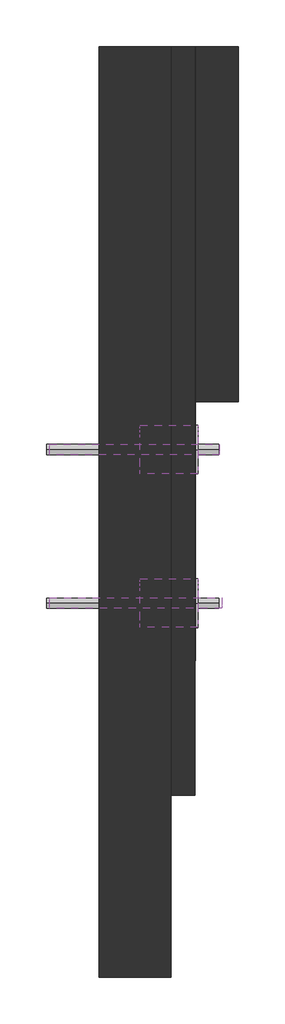
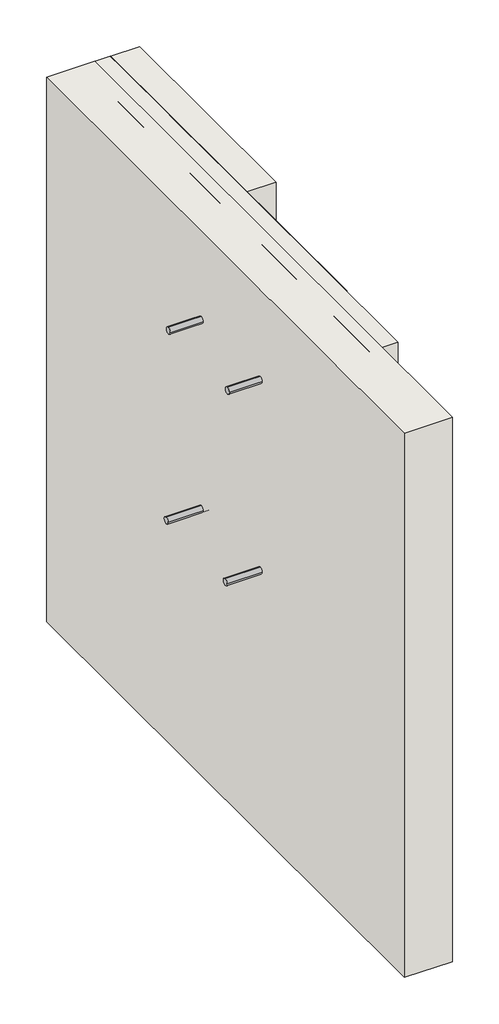
# One storey: 8 pipe segments, 4 walls.
"""IFC4 building model written with IfcOpenShell, lengths in millimetres."""

from ifc_helpers import new_model, si_unit, point, frame, frame_2d, origin, origin_with_axes, place, context, project, spatial, polyline, circle_curve, trimmed, segment, composite_curve, outline, extrude, element, save

model = new_model("IFC4")

# Units and contexts
model_context = context("Model", 3, world=origin())
ifc_project = project(units=[si_unit("LENGTHUNIT", "METRE", prefix="MILLI")], contexts=[model_context])

# Site, building, storey
site = spatial("IfcSite", under=ifc_project)
building = spatial("IfcBuilding", under=site)
storey = spatial("IfcBuildingStorey", under=building, Elevation=0.0)

# Pipe segments
placement = place(None, origin())
element("IfcPipeSegment", 1, at=placement, inside=storey, context=model_context, shape_type="SweptSolid", body=[
    extrude(outline(composite_curve([segment(trimmed(circle_curve(frame_2d((-461.0858633, 1508.2842579)), 10.668), [point((-471.7538633, 1508.2842579))], [point((-461.0858633, 1518.9522579))], False, "CARTESIAN"), True, "CONTINUOUS"), segment(trimmed(circle_curve(frame_2d((-461.0858633, 1508.2842579)), 10.668), [point((-461.0858633, 1518.9522579))], [point((-450.4178633, 1508.2842579))], False, "CARTESIAN"), True, "CONTINUOUS"), segment(trimmed(circle_curve(frame_2d((-461.0858633, 1508.2842579)), 10.668), [point((-450.4178633, 1508.2842579))], [point((-461.0858633, 1497.6162579))], False, "CARTESIAN"), True, "CONTINUOUS"), segment(trimmed(circle_curve(frame_2d((-461.0858633, 1508.2842579)), 10.668), [point((-461.0858633, 1497.6162579))], [point((-471.7538633, 1508.2842579))], False, "CARTESIAN"), True, "CONTINUOUS")], self_intersect=False)), frame((-22515.9652539, 0.0, 0.0), z_axis=(1.0, 0.0, 0.0), x_axis=(0.0, 1.0, 0.0)), (0.0, 0.0, 1.0), 355.0),
])
element("IfcPipeSegment", 2, at=placement, inside=storey, context=model_context, shape_type="SweptSolid", body=[
    extrude(outline(composite_curve([segment(trimmed(circle_curve(frame_2d((-461.0858633, 1503.598162)), 50.8), [point((-410.2858633, 1503.598162))], [point((-461.0858633, 1452.798162))], False, "CARTESIAN"), True, "CONTINUOUS"), segment(trimmed(circle_curve(frame_2d((-461.0858633, 1503.598162)), 50.8), [point((-461.0858633, 1452.798162))], [point((-511.8858633, 1503.598162))], False, "CARTESIAN"), True, "CONTINUOUS"), segment(trimmed(circle_curve(frame_2d((-461.0858633, 1503.598162)), 50.8), [point((-511.8858633, 1503.598162))], [point((-461.0858633, 1554.398162))], False, "CARTESIAN"), True, "CONTINUOUS"), segment(trimmed(circle_curve(frame_2d((-461.0858633, 1503.598162)), 50.8), [point((-461.0858633, 1554.398162))], [point((-410.2858633, 1503.598162))], False, "CARTESIAN"), True, "CONTINUOUS")], self_intersect=False)), frame((-22326.7800219, 0.0, 0.0), z_axis=(1.0, 0.0, 0.0), x_axis=(0.0, 1.0, 0.0)), (0.0, 0.0, 1.0), 120.0),
])
element("IfcPipeSegment", 3, at=placement, inside=storey, context=model_context, shape_type="SweptSolid", body=[
    extrude(outline(composite_curve([segment(trimmed(circle_curve(frame_2d((-781.0858633, 1504.9470489)), 50.8), [point((-730.2858633, 1504.9470489))], [point((-781.0858633, 1454.1470489))], False, "CARTESIAN"), True, "CONTINUOUS"), segment(trimmed(circle_curve(frame_2d((-781.0858633, 1504.9470489)), 50.8), [point((-781.0858633, 1454.1470489))], [point((-831.8858633, 1504.9470489))], False, "CARTESIAN"), True, "CONTINUOUS"), segment(trimmed(circle_curve(frame_2d((-781.0858633, 1504.9470489)), 50.8), [point((-831.8858633, 1504.9470489))], [point((-781.0858633, 1555.7470489))], False, "CARTESIAN"), True, "CONTINUOUS"), segment(trimmed(circle_curve(frame_2d((-781.0858633, 1504.9470489)), 50.8), [point((-781.0858633, 1555.7470489))], [point((-730.2858633, 1504.9470489))], False, "CARTESIAN"), True, "CONTINUOUS")], self_intersect=False)), frame((-22326.7800219, 0.0, 0.0), z_axis=(1.0, 0.0, 0.0), x_axis=(0.0, 1.0, 0.0)), (0.0, 0.0, 1.0), 120.0),
])
element("IfcPipeSegment", 4, at=placement, inside=storey, context=model_context, shape_type="SweptSolid", body=[
    extrude(outline(composite_curve([segment(trimmed(circle_curve(frame_2d((-781.0858633, 1504.1321833)), 10.668), [point((-791.7538633, 1504.1321833))], [point((-781.0858633, 1514.8001833))], False, "CARTESIAN"), True, "CONTINUOUS"), segment(trimmed(circle_curve(frame_2d((-781.0858633, 1504.1321833)), 10.668), [point((-781.0858633, 1514.8001833))], [point((-770.4178633, 1504.1321833))], False, "CARTESIAN"), True, "CONTINUOUS"), segment(trimmed(circle_curve(frame_2d((-781.0858633, 1504.1321833)), 10.668), [point((-770.4178633, 1504.1321833))], [point((-781.0858633, 1493.4641833))], False, "CARTESIAN"), True, "CONTINUOUS"), segment(trimmed(circle_curve(frame_2d((-781.0858633, 1504.1321833)), 10.668), [point((-781.0858633, 1493.4641833))], [point((-791.7538633, 1504.1321833))], False, "CARTESIAN"), True, "CONTINUOUS")], self_intersect=False)), frame((-22515.9652539, 0.0, 0.0), z_axis=(1.0, 0.0, 0.0), x_axis=(0.0, 1.0, 0.0)), (0.0, 0.0, 1.0), 360.0),
])
element("IfcPipeSegment", 5, at=placement, inside=storey, context=model_context, shape_type="SweptSolid", body=[
    extrude(outline(composite_curve([segment(trimmed(circle_curve(frame_2d((-781.0858633, 869.1629869)), 50.8), [point((-730.2858633, 869.1629869))], [point((-781.0858633, 818.3629869))], False, "CARTESIAN"), True, "CONTINUOUS"), segment(trimmed(circle_curve(frame_2d((-781.0858633, 869.1629869)), 50.8), [point((-781.0858633, 818.3629869))], [point((-831.8858633, 869.1629869))], False, "CARTESIAN"), True, "CONTINUOUS"), segment(trimmed(circle_curve(frame_2d((-781.0858633, 869.1629869)), 50.8), [point((-831.8858633, 869.1629869))], [point((-781.0858633, 919.9629869))], False, "CARTESIAN"), True, "CONTINUOUS"), segment(trimmed(circle_curve(frame_2d((-781.0858633, 869.1629869)), 50.8), [point((-781.0858633, 919.9629869))], [point((-730.2858633, 869.1629869))], False, "CARTESIAN"), True, "CONTINUOUS")], self_intersect=False)), frame((-22326.7800219, 0.0, 0.0), z_axis=(1.0, 0.0, 0.0), x_axis=(0.0, 1.0, 0.0)), (0.0, 0.0, 1.0), 120.0),
])
element("IfcPipeSegment", 6, at=placement, inside=storey, context=model_context, shape_type="SweptSolid", body=[
    extrude(outline(composite_curve([segment(trimmed(circle_curve(frame_2d((-461.0858633, 883.5446474)), 50.8), [point((-410.2858633, 883.5446474))], [point((-461.0858633, 832.7446474))], False, "CARTESIAN"), True, "CONTINUOUS"), segment(trimmed(circle_curve(frame_2d((-461.0858633, 883.5446474)), 50.8), [point((-461.0858633, 832.7446474))], [point((-511.8858633, 883.5446474))], False, "CARTESIAN"), True, "CONTINUOUS"), segment(trimmed(circle_curve(frame_2d((-461.0858633, 883.5446474)), 50.8), [point((-511.8858633, 883.5446474))], [point((-461.0858633, 934.3446474))], False, "CARTESIAN"), True, "CONTINUOUS"), segment(trimmed(circle_curve(frame_2d((-461.0858633, 883.5446474)), 50.8), [point((-461.0858633, 934.3446474))], [point((-410.2858633, 883.5446474))], False, "CARTESIAN"), True, "CONTINUOUS")], self_intersect=False)), frame((-22326.7800219, 0.0, 0.0), z_axis=(1.0, 0.0, 0.0), x_axis=(0.0, 1.0, 0.0)), (0.0, 0.0, 1.0), 120.0),
])
element("IfcPipeSegment", 7, at=placement, inside=storey, context=model_context, shape_type="SweptSolid", body=[
    extrude(outline(composite_curve([segment(trimmed(circle_curve(frame_2d((-781.0858633, 873.6726146)), 10.668), [point((-791.7538633, 873.6726146))], [point((-781.0858633, 884.3406146))], False, "CARTESIAN"), True, "CONTINUOUS"), segment(trimmed(circle_curve(frame_2d((-781.0858633, 873.6726146)), 10.668), [point((-781.0858633, 884.3406146))], [point((-770.4178633, 873.6726146))], False, "CARTESIAN"), True, "CONTINUOUS"), segment(trimmed(circle_curve(frame_2d((-781.0858633, 873.6726146)), 10.668), [point((-770.4178633, 873.6726146))], [point((-781.0858633, 863.0046146))], False, "CARTESIAN"), True, "CONTINUOUS"), segment(trimmed(circle_curve(frame_2d((-781.0858633, 873.6726146)), 10.668), [point((-781.0858633, 863.0046146))], [point((-791.7538633, 873.6726146))], False, "CARTESIAN"), True, "CONTINUOUS")], self_intersect=False)), frame((-22522.4654077, 0.0, 0.0), z_axis=(1.0, 0.0, 0.0), x_axis=(0.0, 1.0, 0.0)), (0.0, 0.0, 1.0), 360.0),
])
element("IfcPipeSegment", 8, at=placement, inside=storey, context=model_context, shape_type="SweptSolid", body=[
    extrude(outline(composite_curve([segment(trimmed(circle_curve(frame_2d((-461.0858633, 883.2479606)), 10.668), [point((-471.7538633, 883.2479606))], [point((-461.0858633, 893.9159606))], False, "CARTESIAN"), True, "CONTINUOUS"), segment(trimmed(circle_curve(frame_2d((-461.0858633, 883.2479606)), 10.668), [point((-461.0858633, 893.9159606))], [point((-450.4178633, 883.2479606))], False, "CARTESIAN"), True, "CONTINUOUS"), segment(trimmed(circle_curve(frame_2d((-461.0858633, 883.2479606)), 10.668), [point((-450.4178633, 883.2479606))], [point((-461.0858633, 872.5799606))], False, "CARTESIAN"), True, "CONTINUOUS"), segment(trimmed(circle_curve(frame_2d((-461.0858633, 883.2479606)), 10.668), [point((-461.0858633, 872.5799606))], [point((-471.7538633, 883.2479606))], False, "CARTESIAN"), True, "CONTINUOUS")], self_intersect=False)), frame((-22522.4654077, 0.0, 0.0), z_axis=(1.0, 0.0, 0.0), x_axis=(0.0, 1.0, 0.0)), (0.0, 0.0, 1.0), 360.0),
])

# Walls
element("IfcWall", 9, at=placement, inside=storey, context=model_context, shape_type="SweptSolid", body=[
    extrude(outline(polyline([(-22262.467069, 378.9141367), (-22262.467069, -1561.0858633), (-22412.467069, -1561.0858633), (-22412.467069, 378.9141367), (-22262.467069, 378.9141367)])), origin_with_axes(), (0.0, 0.0, 1.0), 1800.0),
])
element("IfcWall", 10, at=placement, inside=storey, context=model_context, shape_type="SweptSolid", body=[
    extrude(outline(polyline([(-22302.467069, -1181.0858633), (-22302.467069, 378.9141367), (-22212.467069, 378.9141367), (-22212.467069, -1181.0858633), (-22302.467069, -1181.0858633)])), origin_with_axes(), (0.0, 0.0, 1.0), 1800.0),
])
element("IfcWall", 11, at=placement, inside=storey, context=model_context, shape_type="SweptSolid", body=[
    extrude(outline(polyline([(-22213.467069, -901.0858633), (-22213.467069, 378.9141367), (-22211.467069, 378.9141367), (-22211.467069, -901.0858633), (-22213.467069, -901.0858633)])), origin_with_axes(), (0.0, 0.0, 1.0), 1800.0),
])
element("IfcWall", 12, at=placement, inside=storey, context=model_context, shape_type="SweptSolid", body=[
    extrude(outline(polyline([(-22211.467069, -361.0858633), (-22211.467069, 378.9141367), (-22121.467069, 378.9141367), (-22121.467069, -361.0858633), (-22211.467069, -361.0858633)])), origin_with_axes(), (0.0, 0.0, 1.0), 1800.0),
])

save(model, "model.ifc")
